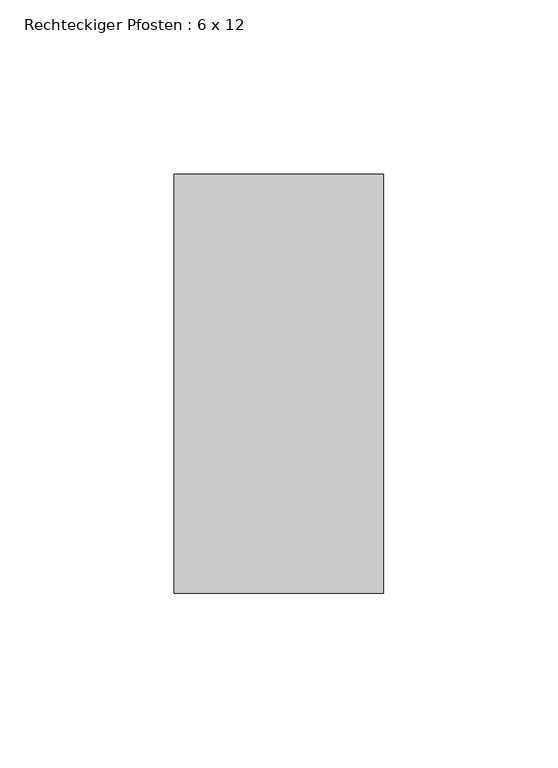
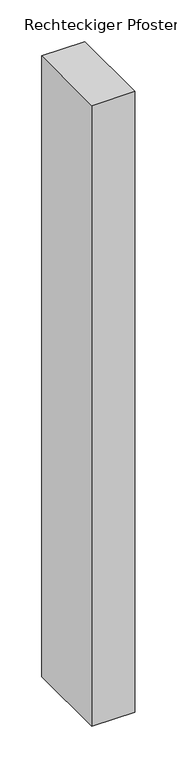
"""IFC4 building model written with IfcOpenShell, lengths in millimetres: member geometry, Rechteckiger Pfosten : 6 x 12."""

from ifc_helpers import new_model, si_unit, frame, origin, place, context, project, spatial, polyline, outline, extrude, source, transform, mapped, element, save


def rechteckiger_pfosten_6_x_12_33281309(model_context):
    return source(origin(), model_context, "Body", "SweptSolid", [
        extrude(outline(polyline([(0.0, 60.0), (0.0, -60.0), (-60.0, -60.0), (-60.0, 60.0), (0.0, 60.0)])), frame((0.0, 0.0, -910.0), z_axis=(0.0, 0.0, 1.0), x_axis=(1.0, 0.0, 0.0)), (0.0, 0.0, 1.0), 910.0),
    ])


if __name__ == "__main__":
    model = new_model("IFC4")
    model_context = context("Model", 3, world=origin())
    ifc_project = project(units=[si_unit("LENGTHUNIT", "METRE", prefix="MILLI")], contexts=[model_context])
    site = spatial("IfcSite", under=ifc_project)
    building = spatial("IfcBuilding", under=site)
    placement = place(None, origin())
    rechteckiger_pfosten_6_x_12_shape = rechteckiger_pfosten_6_x_12_33281309(model_context)
    element("IfcMember", 1, ObjectType="Rechteckiger Pfosten : 6 x 12", at=placement, inside=building, context=model_context, shape_type="MappedRepresentation", body=[
        mapped(rechteckiger_pfosten_6_x_12_shape, transform((0.0, 0.0, 0.0), x_axis=(1.0, 0.0, 0.0), y_axis=(0.0, 1.0, 0.0), z_axis=(0.0, 0.0, 1.0))),
    ])
    save(model, "model.ifc")
